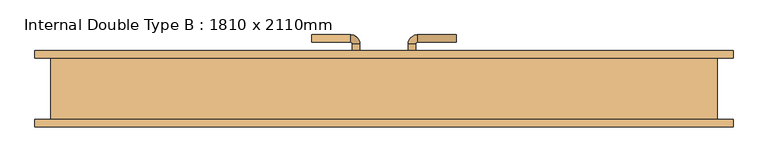
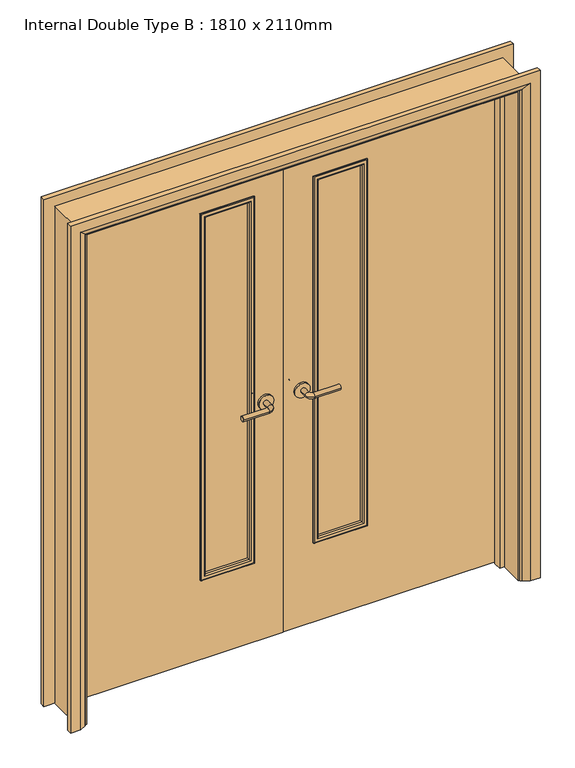
"""IFC4 building model written with IfcOpenShell, lengths in millimetres: door geometry, Internal Double Type B : 1810 x 2110mm."""

from ifc_helpers import new_model, si_unit, point, frame, frame_2d, origin, place, context, project, spatial, polyline, circle_curve, ellipse_curve, trimmed, segment, composite_curve, outline, extrude, faceted_brep, source, transform, mapped, element, save
from ifc_brep_helpers import plane_surface, cylinder_surface, revolved_surface, advanced_brep


def internal_double_type_b_1810_x_2110mm_ac1801f2(model_context):
    return source(origin(), model_context, "Body", "SolidModel", [
        advanced_brep(
        [(-65.0, 42.5, 1007.0), (-85.0, 42.5, 1007.0), (-65.0, 12.5, 1007.0), (-85.0, 12.5, 1007.0), (-90.0, 7.5, 1007.0), (-90.0, -12.5, 1007.0), (-195.0, -12.5, 1007.0), (-195.0, 7.5, 1007.0)],
        [
            (0, 1, circle_curve(frame((-75.0, 42.5, 1007.0), z_axis=(0.0, 1.0, 0.0), x_axis=(-1.0, 0.0, 0.0)), 10.0)),
            (1, 0, circle_curve(frame((-75.0, 42.5, 1007.0), z_axis=(0.0, 1.0, 0.0), x_axis=(-1.0, 0.0, 0.0)), 10.0)),
            (0, 2),
            (2, 3, circle_curve(frame((-75.0, 12.5, 1007.0), z_axis=(0.0, 1.0, 0.0), x_axis=(-1.0, 0.0, 0.0)), 10.0)),
            (3, 1),
            (3, 2, circle_curve(frame((-75.0, 12.5, 1007.0), z_axis=(0.0, 1.0, 0.0), x_axis=(-1.0, 0.0, 0.0)), 10.0)),
            (4, 3, circle_curve(frame((-90.0, 12.5, 1007.0), z_axis=(0.0, 0.0, 1.0), x_axis=(1.0, 0.0, 0.0)), 5.0)),
            (2, 5, circle_curve(frame((-90.0, 12.5, 1007.0), z_axis=(0.0, 0.0, -1.0), x_axis=(1.0, 0.0, 0.0)), 25.0)),
            (5, 4, circle_curve(frame((-90.0, -2.5, 1007.0), z_axis=(1.0, 0.0, 0.0), x_axis=(0.0, 1.0, 0.0)), 10.0)),
            (4, 5, circle_curve(frame((-90.0, -2.5, 1007.0), z_axis=(1.0, 0.0, 0.0), x_axis=(0.0, 1.0, 0.0)), 10.0)),
            (6, 7, circle_curve(frame((-195.0, -2.5, 1007.0), z_axis=(-1.0, 0.0, 0.0), x_axis=(0.0, 1.0, 0.0)), 10.0)),
            (7, 6, circle_curve(frame((-195.0, -2.5, 1007.0), z_axis=(-1.0, 0.0, 0.0), x_axis=(0.0, 1.0, 0.0)), 10.0)),
            (5, 6),
            (7, 4),
        ],
        [
            plane_surface(frame((-75.0, 42.5, 1007.0), z_axis=(0.0, 1.0, 0.0), x_axis=(0.0, 0.0, 1.0))),
            cylinder_surface(frame((-75.0, 42.5, 1007.0), z_axis=(0.0, 1.0, 0.0), x_axis=(-1.0, 0.0, 0.0)), 10.0),
            revolved_surface(trimmed(ellipse_curve(frame((-75.0, 12.5, 1007.0), z_axis=(0.0, 1.0, 0.0), x_axis=(-1.0, 0.0, 0.0)), 10.0, 10.0), [point((-65.0, 12.5, 1007.0))], [point((-85.0, 12.5, 1007.0))], True, "CARTESIAN"), (-90.0, 12.5, 1007.0), (0.0, 0.0, -1.0)),
            revolved_surface(trimmed(ellipse_curve(frame((-75.0, 12.5, 1007.0), z_axis=(0.0, 1.0, 0.0), x_axis=(-1.0, 0.0, 0.0)), 10.0, 10.0), [point((-85.0, 12.5, 1007.0))], [point((-65.0, 12.5, 1007.0))], True, "CARTESIAN"), (-90.0, 12.5, 1007.0), (0.0, 0.0, -1.0)),
            plane_surface(frame((-195.0, -2.5, 1007.0), z_axis=(-1.0, 0.0, 0.0), x_axis=(0.0, 0.0, 1.0))),
            cylinder_surface(frame((-90.0, -2.5, 1007.0), z_axis=(1.0, 0.0, 0.0), x_axis=(0.0, 1.0, 0.0)), 10.0),
        ],
        [
            (0, [[1, 2]]),
            (1, [[-1, 3, 4, 5]]),
            (1, [[-2, -5, 6, -3]]),
            (2, [[7, -4, 8, 9]]),
            (3, [[-8, -6, -7, 10]]),
            (4, [[11, 12]]),
            (5, [[-9, 13, -12, 14]]),
            (5, [[-10, -14, -11, -13]]),
        ],
    ),
        extrude(outline(composite_curve([segment(trimmed(circle_curve(frame_2d((1007.0, -72.5)), 30.0), [point((1007.0, -42.5))], [point((1007.0, -102.5))], False, "CARTESIAN"), True, "CONTINUOUS"), segment(trimmed(circle_curve(frame_2d((1007.0, -72.5)), 30.0), [point((1007.0, -102.5))], [point((1007.0, -42.5))], False, "CARTESIAN"), True, "CONTINUOUS")], self_intersect=False)), frame((0.0, 42.5, 0.0), z_axis=(0.0, 1.0, 0.0), x_axis=(0.0, 0.0, 1.0)), (0.0, 0.0, 1.0), 8.0),
        advanced_brep(
        [(-65.0, 90.5, 1007.0), (-85.0, 90.5, 1007.0), (-85.0, 120.5, 1007.0), (-65.0, 120.5, 1007.0), (-90.0, 125.5, 1007.0), (-90.0, 145.5, 1007.0), (-195.0, 145.5, 1007.0), (-195.0, 125.5, 1007.0)],
        [
            (0, 1, circle_curve(frame((-75.0, 90.5, 1007.0), z_axis=(0.0, -1.0, 0.0), x_axis=(-1.0, 0.0, 0.0)), 10.0)),
            (1, 0, circle_curve(frame((-75.0, 90.5, 1007.0), z_axis=(0.0, -1.0, 0.0), x_axis=(-1.0, 0.0, 0.0)), 10.0)),
            (1, 2),
            (2, 3, circle_curve(frame((-75.0, 120.5, 1007.0), z_axis=(0.0, -1.0, 0.0), x_axis=(-1.0, 0.0, 0.0)), 10.0)),
            (3, 0),
            (3, 2, circle_curve(frame((-75.0, 120.5, 1007.0), z_axis=(0.0, -1.0, 0.0), x_axis=(-1.0, 0.0, 0.0)), 10.0)),
            (4, 5, circle_curve(frame((-90.0, 135.5, 1007.0), z_axis=(1.0, 0.0, 0.0), x_axis=(0.0, -1.0, 0.0)), 10.0)),
            (5, 3, circle_curve(frame((-90.0, 120.5, 1007.0), z_axis=(0.0, 0.0, -1.0), x_axis=(1.0, 0.0, 0.0)), 25.0)),
            (2, 4, circle_curve(frame((-90.0, 120.5, 1007.0), z_axis=(0.0, 0.0, 1.0), x_axis=(1.0, 0.0, 0.0)), 5.0)),
            (5, 4, circle_curve(frame((-90.0, 135.5, 1007.0), z_axis=(1.0, 0.0, 0.0), x_axis=(0.0, -1.0, 0.0)), 10.0)),
            (6, 7, circle_curve(frame((-195.0, 135.5, 1007.0), z_axis=(-1.0, 0.0, 0.0), x_axis=(0.0, -1.0, 0.0)), 10.0)),
            (7, 6, circle_curve(frame((-195.0, 135.5, 1007.0), z_axis=(-1.0, 0.0, 0.0), x_axis=(0.0, -1.0, 0.0)), 10.0)),
            (4, 7),
            (6, 5),
        ],
        [
            plane_surface(frame((-75.0, 90.5, 1007.0), z_axis=(0.0, -1.0, 0.0), x_axis=(0.0, 0.0, 1.0))),
            cylinder_surface(frame((-75.0, 90.5, 1007.0), z_axis=(0.0, -1.0, 0.0), x_axis=(-1.0, 0.0, 0.0)), 10.0),
            revolved_surface(trimmed(ellipse_curve(frame((-75.0, 120.5, 1007.0), z_axis=(0.0, 1.0, 0.0), x_axis=(-1.0, 0.0, 0.0)), 10.0, 10.0), [point((-65.0, 120.5, 1007.0))], [point((-85.0, 120.5, 1007.0))], True, "CARTESIAN"), (-90.0, 120.5, 1007.0), (0.0, 0.0, -1.0)),
            revolved_surface(trimmed(ellipse_curve(frame((-75.0, 120.5, 1007.0), z_axis=(0.0, 1.0, 0.0), x_axis=(-1.0, 0.0, 0.0)), 10.0, 10.0), [point((-85.0, 120.5, 1007.0))], [point((-65.0, 120.5, 1007.0))], True, "CARTESIAN"), (-90.0, 120.5, 1007.0), (0.0, 0.0, -1.0)),
            plane_surface(frame((-195.0, 135.5, 1007.0), z_axis=(-1.0, 0.0, 0.0), x_axis=(0.0, 0.0, 1.0))),
            cylinder_surface(frame((-90.0, 135.5, 1007.0), z_axis=(1.0, 0.0, 0.0), x_axis=(0.0, -1.0, 0.0)), 10.0),
        ],
        [
            (0, [[1, 2]]),
            (1, [[3, 4, 5, -2]]),
            (1, [[-5, 6, -3, -1]]),
            (2, [[7, 8, -4, 9]]),
            (3, [[10, -9, -6, -8]]),
            (4, [[11, 12]]),
            (5, [[13, -11, 14, -7]]),
            (5, [[-14, -12, -13, -10]]),
        ],
    ),
        extrude(outline(composite_curve([segment(trimmed(circle_curve(frame_2d((1007.0, -72.5)), 30.0), [point((1007.0, -42.5))], [point((1007.0, -102.5))], False, "CARTESIAN"), True, "CONTINUOUS"), segment(trimmed(circle_curve(frame_2d((1007.0, -72.5)), 30.0), [point((1007.0, -102.5))], [point((1007.0, -42.5))], False, "CARTESIAN"), True, "CONTINUOUS")], self_intersect=False)), frame((0.0, 82.5, 0.0), z_axis=(0.0, 1.0, 0.0), x_axis=(0.0, 0.0, 1.0)), (0.0, 0.0, 1.0), 8.0),
        advanced_brep(
        [(65.0, 42.5, 1007.0), (85.0, 42.5, 1007.0), (85.0, 12.5, 1007.0), (65.0, 12.5, 1007.0), (90.0, 7.5, 1007.0), (90.0, -12.5, 1007.0), (195.0, -12.5, 1007.0), (195.0, 7.5, 1007.0)],
        [
            (0, 1, circle_curve(frame((75.0, 42.5, 1007.0), z_axis=(0.0, 1.0, 0.0), x_axis=(1.0, 0.0, 0.0)), 10.0)),
            (1, 0, circle_curve(frame((75.0, 42.5, 1007.0), z_axis=(0.0, 1.0, 0.0), x_axis=(1.0, 0.0, 0.0)), 10.0)),
            (1, 2),
            (2, 3, circle_curve(frame((75.0, 12.5, 1007.0), z_axis=(0.0, 1.0, 0.0), x_axis=(1.0, 0.0, 0.0)), 10.0)),
            (3, 0),
            (3, 2, circle_curve(frame((75.0, 12.5, 1007.0), z_axis=(0.0, 1.0, 0.0), x_axis=(1.0, 0.0, 0.0)), 10.0)),
            (4, 5, circle_curve(frame((90.0, -2.5, 1007.0), z_axis=(-1.0, 0.0, 0.0), x_axis=(0.0, 1.0, 0.0)), 10.0)),
            (5, 3, circle_curve(frame((90.0, 12.5, 1007.0), z_axis=(0.0, 0.0, -1.0), x_axis=(-1.0, 0.0, 0.0)), 25.0)),
            (2, 4, circle_curve(frame((90.0, 12.5, 1007.0), z_axis=(0.0, 0.0, 1.0), x_axis=(-1.0, 0.0, 0.0)), 5.0)),
            (5, 4, circle_curve(frame((90.0, -2.5, 1007.0), z_axis=(-1.0, 0.0, 0.0), x_axis=(0.0, 1.0, 0.0)), 10.0)),
            (6, 7, circle_curve(frame((195.0, -2.5, 1007.0), z_axis=(1.0, 0.0, 0.0), x_axis=(0.0, 1.0, 0.0)), 10.0)),
            (7, 6, circle_curve(frame((195.0, -2.5, 1007.0), z_axis=(1.0, 0.0, 0.0), x_axis=(0.0, 1.0, 0.0)), 10.0)),
            (4, 7),
            (6, 5),
        ],
        [
            plane_surface(frame((75.0, 42.5, 1007.0), z_axis=(0.0, 1.0, 0.0), x_axis=(0.0, 0.0, 1.0))),
            cylinder_surface(frame((75.0, 42.5, 1007.0), z_axis=(0.0, 1.0, 0.0), x_axis=(1.0, 0.0, 0.0)), 10.0),
            revolved_surface(trimmed(ellipse_curve(frame((75.0, 12.5, 1007.0), z_axis=(0.0, -1.0, 0.0), x_axis=(1.0, 0.0, 0.0)), 10.0, 10.0), [point((65.0, 12.5, 1007.0))], [point((85.0, 12.5, 1007.0))], True, "CARTESIAN"), (90.0, 12.5, 1007.0), (0.0, 0.0, -1.0)),
            revolved_surface(trimmed(ellipse_curve(frame((75.0, 12.5, 1007.0), z_axis=(0.0, -1.0, 0.0), x_axis=(1.0, 0.0, 0.0)), 10.0, 10.0), [point((85.0, 12.5, 1007.0))], [point((65.0, 12.5, 1007.0))], True, "CARTESIAN"), (90.0, 12.5, 1007.0), (0.0, 0.0, -1.0)),
            plane_surface(frame((195.0, -2.5, 1007.0), z_axis=(1.0, 0.0, 0.0), x_axis=(0.0, 0.0, 1.0))),
            cylinder_surface(frame((90.0, -2.5, 1007.0), z_axis=(-1.0, 0.0, 0.0), x_axis=(0.0, 1.0, 0.0)), 10.0),
        ],
        [
            (0, [[1, 2]]),
            (1, [[3, 4, 5, -2]]),
            (1, [[-5, 6, -3, -1]]),
            (2, [[7, 8, -4, 9]]),
            (3, [[10, -9, -6, -8]]),
            (4, [[11, 12]]),
            (5, [[13, -11, 14, -7]]),
            (5, [[-14, -12, -13, -10]]),
        ],
    ),
        extrude(outline(composite_curve([segment(trimmed(circle_curve(frame_2d((1007.0, 72.5)), 30.0), [point((1007.0, 42.5))], [point((1007.0, 102.5))], False, "CARTESIAN"), True, "CONTINUOUS"), segment(trimmed(circle_curve(frame_2d((1007.0, 72.5)), 30.0), [point((1007.0, 102.5))], [point((1007.0, 42.5))], False, "CARTESIAN"), True, "CONTINUOUS")], self_intersect=False)), frame((0.0, 42.5, 0.0), z_axis=(0.0, 1.0, 0.0), x_axis=(0.0, 0.0, 1.0)), (0.0, 0.0, 1.0), 8.0),
        advanced_brep(
        [(65.0, 90.5, 1007.0), (85.0, 90.5, 1007.0), (65.0, 120.5, 1007.0), (85.0, 120.5, 1007.0), (90.0, 125.5, 1007.0), (90.0, 145.5, 1007.0), (195.0, 145.5, 1007.0), (195.0, 125.5, 1007.0)],
        [
            (0, 1, circle_curve(frame((75.0, 90.5, 1007.0), z_axis=(0.0, -1.0, 0.0), x_axis=(1.0, 0.0, 0.0)), 10.0)),
            (1, 0, circle_curve(frame((75.0, 90.5, 1007.0), z_axis=(0.0, -1.0, 0.0), x_axis=(1.0, 0.0, 0.0)), 10.0)),
            (0, 2),
            (2, 3, circle_curve(frame((75.0, 120.5, 1007.0), z_axis=(0.0, -1.0, 0.0), x_axis=(1.0, 0.0, 0.0)), 10.0)),
            (3, 1),
            (3, 2, circle_curve(frame((75.0, 120.5, 1007.0), z_axis=(0.0, -1.0, 0.0), x_axis=(1.0, 0.0, 0.0)), 10.0)),
            (4, 3, circle_curve(frame((90.0, 120.5, 1007.0), z_axis=(0.0, 0.0, 1.0), x_axis=(-1.0, 0.0, 0.0)), 5.0)),
            (2, 5, circle_curve(frame((90.0, 120.5, 1007.0), z_axis=(0.0, 0.0, -1.0), x_axis=(-1.0, 0.0, 0.0)), 25.0)),
            (5, 4, circle_curve(frame((90.0, 135.5, 1007.0), z_axis=(-1.0, 0.0, 0.0), x_axis=(0.0, -1.0, 0.0)), 10.0)),
            (4, 5, circle_curve(frame((90.0, 135.5, 1007.0), z_axis=(-1.0, 0.0, 0.0), x_axis=(0.0, -1.0, 0.0)), 10.0)),
            (6, 7, circle_curve(frame((195.0, 135.5, 1007.0), z_axis=(1.0, 0.0, 0.0), x_axis=(0.0, -1.0, 0.0)), 10.0)),
            (7, 6, circle_curve(frame((195.0, 135.5, 1007.0), z_axis=(1.0, 0.0, 0.0), x_axis=(0.0, -1.0, 0.0)), 10.0)),
            (5, 6),
            (7, 4),
        ],
        [
            plane_surface(frame((75.0, 90.5, 1007.0), z_axis=(0.0, -1.0, 0.0), x_axis=(0.0, 0.0, 1.0))),
            cylinder_surface(frame((75.0, 90.5, 1007.0), z_axis=(0.0, -1.0, 0.0), x_axis=(1.0, 0.0, 0.0)), 10.0),
            revolved_surface(trimmed(ellipse_curve(frame((75.0, 120.5, 1007.0), z_axis=(0.0, -1.0, 0.0), x_axis=(1.0, 0.0, 0.0)), 10.0, 10.0), [point((65.0, 120.5, 1007.0))], [point((85.0, 120.5, 1007.0))], True, "CARTESIAN"), (90.0, 120.5, 1007.0), (0.0, 0.0, -1.0)),
            revolved_surface(trimmed(ellipse_curve(frame((75.0, 120.5, 1007.0), z_axis=(0.0, -1.0, 0.0), x_axis=(1.0, 0.0, 0.0)), 10.0, 10.0), [point((85.0, 120.5, 1007.0))], [point((65.0, 120.5, 1007.0))], True, "CARTESIAN"), (90.0, 120.5, 1007.0), (0.0, 0.0, -1.0)),
            plane_surface(frame((195.0, 135.5, 1007.0), z_axis=(1.0, 0.0, 0.0), x_axis=(0.0, 0.0, 1.0))),
            cylinder_surface(frame((90.0, 135.5, 1007.0), z_axis=(-1.0, 0.0, 0.0), x_axis=(0.0, -1.0, 0.0)), 10.0),
        ],
        [
            (0, [[1, 2]]),
            (1, [[-1, 3, 4, 5]]),
            (1, [[-2, -5, 6, -3]]),
            (2, [[7, -4, 8, 9]]),
            (3, [[-8, -6, -7, 10]]),
            (4, [[11, 12]]),
            (5, [[-9, 13, -12, 14]]),
            (5, [[-10, -14, -11, -13]]),
        ],
    ),
        extrude(outline(composite_curve([segment(trimmed(circle_curve(frame_2d((1007.0, 72.5)), 30.0), [point((1007.0, 42.5))], [point((1007.0, 102.5))], False, "CARTESIAN"), True, "CONTINUOUS"), segment(trimmed(circle_curve(frame_2d((1007.0, 72.5)), 30.0), [point((1007.0, 102.5))], [point((1007.0, 42.5))], False, "CARTESIAN"), True, "CONTINUOUS")], self_intersect=False)), frame((0.0, 82.5, 0.0), z_axis=(0.0, 1.0, 0.0), x_axis=(0.0, 0.0, 1.0)), (0.0, 0.0, 1.0), 8.0),
        advanced_brep(
        [(-940.0, -102.5, 0.0), (-940.0, -82.5, 0.0), (-870.0, -82.5, 0.0), (-874.0, -88.5, 0.0), (-900.0, -102.5, 0.0), (-940.0, -102.5, 2145.0), (-940.0, -82.5, 2145.0), (940.0, -82.5, 2145.0), (940.0, -82.5, 0.0), (870.0, -82.5, 0.0), (870.0, -82.5, 2075.0), (-870.0, -82.5, 2075.0), (-874.0, -88.5, 2079.0), (-900.0, -102.5, 2105.0), (900.0, -102.5, 2105.0), (900.0, -102.5, 0.0), (940.0, -102.5, 0.0), (940.0, -102.5, 2145.0), (874.0, -88.5, 2079.0), (874.0, -88.5, 0.0)],
        [
            (0, 1),
            (1, 2),
            (2, 3, circle_curve(frame((-878.0, -81.5, 0.0), z_axis=(0.0, 0.0, -1.0), x_axis=(-1.0, 0.0, 0.0)), 8.0622577)),
            (3, 4),
            (4, 0),
            (0, 5),
            (5, 6),
            (6, 1),
            (6, 7),
            (7, 8),
            (8, 9),
            (9, 10),
            (10, 11),
            (11, 2),
            (11, 12, ellipse_curve(frame((-878.0, -81.5, 2083.0), z_axis=(-0.7071067811865475, 0.0, -0.7071067811865475), x_axis=(0.7071067811865474, 0.0, -0.7071067811865476)), 11.4017543, 8.0622577)),
            (12, 3),
            (12, 13),
            (13, 4),
            (13, 14),
            (14, 15),
            (15, 16),
            (16, 17),
            (17, 5),
            (17, 7),
            (10, 18, ellipse_curve(frame((878.0, -81.5, 2083.0), z_axis=(-0.7071067811865475, 0.0, 0.7071067811865475), x_axis=(-0.7071067811865476, 0.0, -0.7071067811865474)), 11.4017543, 8.0622577)),
            (18, 12),
            (18, 14),
            (15, 19),
            (19, 9, circle_curve(frame((878.0, -81.5, 0.0), z_axis=(0.0, 0.0, -1.0), x_axis=(1.0, 0.0, 0.0)), 8.0622577)),
            (8, 16),
            (19, 18),
        ],
        [
            plane_surface(frame((-870.0, -82.5, 0.0), z_axis=(0.0, 0.0, -1.0), x_axis=(0.0, -1.0, 0.0))),
            plane_surface(frame((-940.0, -102.5, 0.0), z_axis=(-1.0, 0.0, 0.0), x_axis=(0.0, 0.0, 1.0))),
            plane_surface(frame((-940.0, -82.5, 0.0), z_axis=(0.0, 1.0, 0.0), x_axis=(0.0, 0.0, 1.0))),
            cylinder_surface(frame((-878.0, -81.5, 0.0), z_axis=(0.0, 0.0, -1.0), x_axis=(-1.0, 0.0, 0.0)), 8.0622577),
            plane_surface(frame((-874.0, -88.5, 0.0), z_axis=(0.4740998230350183, -0.8804710999221749, 0.0), x_axis=(0.0, 0.0, 1.0))),
            plane_surface(frame((-900.0, -102.5, 0.0), z_axis=(0.0, -1.0, 0.0), x_axis=(0.0, 0.0, 1.0))),
            plane_surface(frame((-940.0, -102.5, 2145.0), z_axis=(0.0, 0.0, 1.0), x_axis=(1.0, 0.0, 0.0))),
            cylinder_surface(frame((-870.0, -81.5, 2083.0), z_axis=(-1.0, 0.0, 0.0), x_axis=(0.0, 0.0, 1.0)), 8.0622577),
            plane_surface(frame((-874.0, -88.5, 2079.0), z_axis=(0.0, -0.8804710999221749, -0.4740998230350183), x_axis=(1.0, 0.0, 0.0))),
            plane_surface(frame((870.0, -82.5, 0.0), z_axis=(0.0, 0.0, -1.0), x_axis=(0.0, -1.0, 0.0))),
            plane_surface(frame((940.0, -102.5, 2145.0), z_axis=(1.0, 0.0, 0.0), x_axis=(0.0, 0.0, -1.0))),
            cylinder_surface(frame((878.0, -81.5, 2075.0), z_axis=(0.0, 0.0, 1.0), x_axis=(1.0, 0.0, 0.0)), 8.0622577),
            plane_surface(frame((874.0, -88.5, 2079.0), z_axis=(-0.4740998230350183, -0.8804710999221749, 0.0), x_axis=(0.0, 0.0, -1.0))),
        ],
        [
            (0, [[1, 2, 3, 4, 5]]),
            (1, [[-1, 6, 7, 8]]),
            (2, [[-2, -8, 9, 10, 11, 12, 13, 14]]),
            (3, [[-3, -14, 15, 16]]),
            (4, [[-4, -16, 17, 18]]),
            (5, [[-5, -18, 19, 20, 21, 22, 23, -6]]),
            (6, [[-7, -23, 24, -9]]),
            (7, [[-15, -13, 25, 26]]),
            (8, [[-17, -26, 27, -19]]),
            (9, [[-21, 28, 29, -11, 30]]),
            (10, [[-24, -22, -30, -10]]),
            (11, [[-25, -12, -29, 31]]),
            (12, [[-27, -31, -28, -20]]),
        ],
    ),
        advanced_brep(
        [(940.0, 102.5, 0.0), (940.0, 82.5, 0.0), (870.0, 82.5, 0.0), (874.0, 88.5, 0.0), (900.0, 102.5, 0.0), (940.0, 102.5, 2145.0), (940.0, 82.5, 2145.0), (-940.0, 82.5, 2145.0), (-940.0, 82.5, 0.0), (-870.0, 82.5, 0.0), (-870.0, 82.5, 2075.0), (870.0, 82.5, 2075.0), (874.0, 88.5, 2079.0), (900.0, 102.5, 2105.0), (-900.0, 102.5, 2105.0), (-900.0, 102.5, 0.0), (-940.0, 102.5, 0.0), (-940.0, 102.5, 2145.0), (-874.0, 88.5, 2079.0), (-874.0, 88.5, 0.0)],
        [
            (0, 1),
            (1, 2),
            (2, 3, circle_curve(frame((878.0, 81.5, 0.0), z_axis=(0.0, 0.0, -1.0), x_axis=(1.0, 0.0, 0.0)), 8.0622577)),
            (3, 4),
            (4, 0),
            (0, 5),
            (5, 6),
            (6, 1),
            (6, 7),
            (7, 8),
            (8, 9),
            (9, 10),
            (10, 11),
            (11, 2),
            (11, 12, ellipse_curve(frame((878.0, 81.5, 2083.0), z_axis=(0.7071067811865475, 0.0, -0.7071067811865475), x_axis=(-0.7071067811865474, 0.0, -0.7071067811865476)), 11.4017543, 8.0622577)),
            (12, 3),
            (12, 13),
            (13, 4),
            (13, 14),
            (14, 15),
            (15, 16),
            (16, 17),
            (17, 5),
            (17, 7),
            (10, 18, ellipse_curve(frame((-878.0, 81.5, 2083.0), z_axis=(0.7071067811865475, 0.0, 0.7071067811865475), x_axis=(0.7071067811865476, 0.0, -0.7071067811865474)), 11.4017543, 8.0622577)),
            (18, 12),
            (18, 14),
            (15, 19),
            (19, 9, circle_curve(frame((-878.0, 81.5, 0.0), z_axis=(0.0, 0.0, -1.0), x_axis=(-1.0, 0.0, 0.0)), 8.0622577)),
            (8, 16),
            (19, 18),
        ],
        [
            plane_surface(frame((870.0, 82.5, 0.0), z_axis=(0.0, 0.0, -1.0), x_axis=(0.0, -1.0, 0.0))),
            plane_surface(frame((940.0, 102.5, 0.0), z_axis=(1.0, 0.0, 0.0), x_axis=(0.0, 0.0, 1.0))),
            plane_surface(frame((940.0, 82.5, 0.0), z_axis=(0.0, -1.0, 0.0), x_axis=(0.0, 0.0, 1.0))),
            cylinder_surface(frame((878.0, 81.5, 0.0), z_axis=(0.0, 0.0, -1.0), x_axis=(1.0, 0.0, 0.0)), 8.0622577),
            plane_surface(frame((874.0, 88.5, 0.0), z_axis=(-0.4740998230350126, 0.8804710999221779, 0.0), x_axis=(0.0, 0.0, 1.0))),
            plane_surface(frame((900.0, 102.5, 0.0), z_axis=(0.0, 1.0, 0.0), x_axis=(0.0, 0.0, 1.0))),
            plane_surface(frame((940.0, 102.5, 2145.0), z_axis=(0.0, 0.0, 1.0), x_axis=(-1.0, 0.0, 0.0))),
            cylinder_surface(frame((870.0, 81.5, 2083.0), z_axis=(1.0, 0.0, 0.0), x_axis=(0.0, 0.0, 1.0)), 8.0622577),
            plane_surface(frame((874.0, 88.5, 2079.0), z_axis=(0.0, 0.8804710999221763, -0.4740998230350154), x_axis=(-1.0, 0.0, 0.0))),
            plane_surface(frame((-870.0, 82.5, 0.0), z_axis=(0.0, 0.0, -1.0), x_axis=(0.0, -1.0, 0.0))),
            plane_surface(frame((-940.0, 102.5, 2145.0), z_axis=(-1.0, 0.0, 0.0), x_axis=(0.0, 0.0, -1.0))),
            cylinder_surface(frame((-878.0, 81.5, 2075.0), z_axis=(0.0, 0.0, 1.0), x_axis=(-1.0, 0.0, 0.0)), 8.0622577),
            plane_surface(frame((-874.0, 88.5, 2079.0), z_axis=(0.4740998230350183, 0.8804710999221749, 0.0), x_axis=(0.0, 0.0, -1.0))),
        ],
        [
            (0, [[1, 2, 3, 4, 5]]),
            (1, [[-1, 6, 7, 8]]),
            (2, [[-2, -8, 9, 10, 11, 12, 13, 14]]),
            (3, [[-3, -14, 15, 16]]),
            (4, [[-4, -16, 17, 18]]),
            (5, [[-5, -18, 19, 20, 21, 22, 23, -6]]),
            (6, [[-7, -23, 24, -9]]),
            (7, [[-15, -13, 25, 26]]),
            (8, [[-17, -26, 27, -19]]),
            (9, [[-21, 28, 29, -11, 30]]),
            (10, [[-24, -22, -30, -10]]),
            (11, [[-25, -12, -29, 31]]),
            (12, [[-27, -31, -28, -20]]),
        ],
    ),
        faceted_brep([(-846.0, 47.5, 0.0), (-846.0, 15.5, 0.0), (-865.0, 15.5, 0.0), (-865.0, 47.5, 0.0), (-846.0, 47.5, 2051.0), (-846.0, 15.5, 2051.0), (-865.0, 15.5, 2070.0), (-865.0, 47.5, 2070.0), (846.0, 47.5, 2051.0), (846.0, 15.5, 2051.0), (865.0, 15.5, 2070.0), (865.0, 47.5, 2070.0), (846.0, 47.5, 0.0), (865.0, 47.5, 0.0), (865.0, 15.5, 0.0), (846.0, 15.5, 0.0)], [[[0, 1, 2, 3]], [[1, 0, 4, 5]], [[2, 1, 5, 6]], [[3, 2, 6, 7]], [[0, 3, 7, 4]], [[5, 4, 8, 9]], [[6, 5, 9, 10]], [[7, 6, 10, 11]], [[4, 7, 11, 8]], [[12, 13, 14, 15]], [[9, 8, 12, 15]], [[10, 9, 15, 14]], [[11, 10, 14, 13]], [[8, 11, 13, 12]]]),
        extrude(outline(polyline([(2102.0, -897.0), (0.0, -897.0), (0.0, -865.0), (2070.0, -865.0), (2070.0, 865.0), (0.0, 865.0), (0.0, 897.0), (2102.0, 897.0), (2102.0, -897.0)])), frame((0.0, -82.5, 0.0), z_axis=(0.0, 1.0, 0.0), x_axis=(0.0, 0.0, 1.0)), (0.0, 0.0, 1.0), 165.0),
        extrude(outline(polyline([(326.5, 60.5), (126.5, 60.5), (126.5, 72.5), (326.5, 72.5), (326.5, 60.5)])), frame((0.0, 0.0, 350.0), z_axis=(0.0, 0.0, 1.0), x_axis=(1.0, 0.0, 0.0)), (0.0, 0.0, 1.0), 1535.0),
        extrude(outline(polyline([(-126.5, 60.5), (-326.5, 60.5), (-326.5, 72.5), (-126.5, 72.5), (-126.5, 60.5)])), frame((0.0, 0.0, 350.0), z_axis=(0.0, 0.0, 1.0), x_axis=(1.0, 0.0, 0.0)), (0.0, 0.0, 1.0), 1535.0),
        extrude(outline(polyline([(5.753223, -862.0), (5.753223, -1.5), (2067.0, -1.5), (2067.0, -862.0), (5.753223, -862.0)]), holes=[polyline([(1885.0, -326.5), (1885.0, -126.5), (350.0, -126.5), (350.0, -326.5), (1885.0, -326.5)])]), frame((0.0, 50.5, 0.0), z_axis=(0.0, 1.0, 0.0), x_axis=(0.0, 0.0, 1.0)), (0.0, 0.0, 1.0), 32.0),
        extrude(outline(polyline([(5.753223, 862.0), (2067.0, 862.0), (2067.0, 1.5), (5.753223, 1.5), (5.753223, 862.0)]), holes=[polyline([(1885.0, 126.5), (1885.0, 326.5), (350.0, 326.5), (350.0, 126.5), (1885.0, 126.5)])]), frame((0.0, 50.5, 0.0), z_axis=(0.0, 1.0, 0.0), x_axis=(0.0, 0.0, 1.0)), (0.0, 0.0, 1.0), 32.0),
        advanced_brep(
        [(326.5, 60.5, 1885.0), (326.5, 50.5, 1885.0), (326.5, 50.5, 350.0), (326.5, 60.5, 350.0), (314.5, 49.5, 1873.0), (314.5, 60.5, 1873.0), (314.5, 60.5, 362.0), (314.5, 49.5, 362.0), (319.5, 44.5, 1878.0), (319.5, 44.5, 357.0), (334.5, 46.5, 1893.0), (332.5, 44.5, 1891.0), (332.5, 44.5, 344.0), (334.5, 46.5, 342.0), (334.5, 50.5, 1893.0), (334.5, 50.5, 342.0), (126.5, 50.5, 350.0), (126.5, 60.5, 350.0), (138.5, 60.5, 362.0), (138.5, 49.5, 362.0), (133.5, 44.5, 357.0), (120.5, 44.5, 344.0), (118.5, 46.5, 342.0), (118.5, 50.5, 342.0), (126.5, 50.5, 1885.0), (126.5, 60.5, 1885.0), (138.5, 60.5, 1873.0), (138.5, 49.5, 1873.0), (133.5, 44.5, 1878.0), (120.5, 44.5, 1891.0), (118.5, 46.5, 1893.0), (118.5, 50.5, 1893.0)],
        [
            (0, 1),
            (1, 2),
            (2, 3),
            (3, 0),
            (4, 5),
            (5, 6),
            (6, 7),
            (7, 4),
            (8, 4, ellipse_curve(frame((319.5, 49.5, 1878.0), z_axis=(0.7071067811865475, 0.0, -0.7071067811865475), x_axis=(0.7071067811865474, 0.0, 0.7071067811865476)), 7.0710678, 5.0)),
            (7, 9, ellipse_curve(frame((319.5, 49.5, 357.0), z_axis=(0.7071067811865475, 0.0, 0.7071067811865475), x_axis=(-0.7071067811865474, 0.0, 0.7071067811865476)), 7.0710678, 5.0)),
            (9, 8),
            (10, 11, ellipse_curve(frame((332.5, 46.5, 1891.0), z_axis=(0.7071067811865475, 0.0, -0.7071067811865475), x_axis=(0.7071067811865474, 0.0, 0.7071067811865476)), 2.8284271, 2.0)),
            (11, 12),
            (12, 13, ellipse_curve(frame((332.5, 46.5, 344.0), z_axis=(0.7071067811865475, 0.0, 0.7071067811865475), x_axis=(-0.7071067811865474, 0.0, 0.7071067811865476)), 2.8284271, 2.0)),
            (13, 10),
            (14, 10),
            (13, 15),
            (15, 14),
            (2, 16),
            (16, 17),
            (17, 3),
            (6, 18),
            (18, 19),
            (19, 7),
            (19, 20, ellipse_curve(frame((133.5, 49.5, 357.0), z_axis=(0.7071067811865475, 0.0, -0.7071067811865475), x_axis=(0.7071067811865476, 0.0, 0.7071067811865474)), 7.0710678, 5.0)),
            (20, 9),
            (12, 21),
            (21, 22, ellipse_curve(frame((120.5, 46.5, 344.0), z_axis=(0.7071067811865475, 0.0, -0.7071067811865475), x_axis=(0.7071067811865476, 0.0, 0.7071067811865474)), 2.8284271, 2.0)),
            (22, 13),
            (22, 23),
            (23, 15),
            (16, 24),
            (24, 25),
            (25, 17),
            (18, 26),
            (26, 27),
            (27, 19),
            (27, 28, ellipse_curve(frame((133.5, 49.5, 1878.0), z_axis=(-0.7071067811865475, 0.0, -0.7071067811865475), x_axis=(0.7071067811865474, 0.0, -0.7071067811865476)), 7.0710678, 5.0)),
            (28, 20),
            (21, 29),
            (29, 30, ellipse_curve(frame((120.5, 46.5, 1891.0), z_axis=(-0.7071067811865475, 0.0, -0.7071067811865475), x_axis=(0.7071067811865474, 0.0, -0.7071067811865476)), 2.8284271, 2.0)),
            (30, 22),
            (30, 31),
            (31, 23),
            (31, 14),
            (1, 24),
            (0, 25),
            (5, 26),
            (4, 27),
            (8, 28),
            (11, 29),
            (10, 30),
        ],
        [
            plane_surface(frame((326.5, 50.5, 1885.0), z_axis=(1.0, 0.0, 0.0), x_axis=(0.0, 0.0, -1.0))),
            plane_surface(frame((314.5, 60.5, 1873.0), z_axis=(-1.0, 0.0, 0.0), x_axis=(0.0, 0.0, -1.0))),
            cylinder_surface(frame((319.5, 49.5, 1885.0), z_axis=(0.0, 0.0, 1.0), x_axis=(1.0, 0.0, 0.0)), 5.0),
            cylinder_surface(frame((332.5, 46.5, 1885.0), z_axis=(0.0, 0.0, 1.0), x_axis=(1.0, 0.0, 0.0)), 2.0),
            plane_surface(frame((334.5, 46.5, 1893.0), z_axis=(1.0, 0.0, 0.0), x_axis=(0.0, 0.0, -1.0))),
            plane_surface(frame((326.5, 50.5, 350.0), z_axis=(0.0, 0.0, -1.0), x_axis=(-1.0, 0.0, 0.0))),
            plane_surface(frame((314.5, 60.5, 362.0), z_axis=(0.0, 0.0, 1.0), x_axis=(-1.0, 0.0, 0.0))),
            cylinder_surface(frame((326.5, 49.5, 357.0), z_axis=(1.0, 0.0, 0.0), x_axis=(0.0, 0.0, -1.0)), 5.0),
            cylinder_surface(frame((326.5, 46.5, 344.0), z_axis=(1.0, 0.0, 0.0), x_axis=(0.0, 0.0, -1.0)), 2.0),
            plane_surface(frame((334.5, 46.5, 342.0), z_axis=(0.0, 0.0, -1.0), x_axis=(-1.0, 0.0, 0.0))),
            plane_surface(frame((126.5, 50.5, 350.0), z_axis=(-1.0, 0.0, 0.0), x_axis=(0.0, 0.0, 1.0))),
            plane_surface(frame((138.5, 60.5, 362.0), z_axis=(1.0, 0.0, 0.0), x_axis=(0.0, 0.0, 1.0))),
            cylinder_surface(frame((133.5, 49.5, 350.0), z_axis=(0.0, 0.0, -1.0), x_axis=(-1.0, 0.0, 0.0)), 5.0),
            cylinder_surface(frame((120.5, 46.5, 350.0), z_axis=(0.0, 0.0, -1.0), x_axis=(-1.0, 0.0, 0.0)), 2.0),
            plane_surface(frame((118.5, 46.5, 342.0), z_axis=(-1.0, 0.0, 0.0), x_axis=(0.0, 0.0, 1.0))),
            plane_surface(frame((118.5, 50.5, 1893.0), z_axis=(0.0, 1.0, 0.0), x_axis=(1.0, 0.0, 0.0))),
            plane_surface(frame((126.5, 50.5, 1885.0), z_axis=(0.0, 0.0, 1.0), x_axis=(1.0, 0.0, 0.0))),
            plane_surface(frame((126.5, 60.5, 1885.0), z_axis=(0.0, 1.0, 0.0), x_axis=(1.0, 0.0, 0.0))),
            plane_surface(frame((138.5, 60.5, 1873.0), z_axis=(0.0, 0.0, -1.0), x_axis=(1.0, 0.0, 0.0))),
            cylinder_surface(frame((126.5, 49.5, 1878.0), z_axis=(-1.0, 0.0, 0.0), x_axis=(0.0, 0.0, 1.0)), 5.0),
            plane_surface(frame((133.5, 44.5, 1878.0), z_axis=(0.0, -1.0, 0.0), x_axis=(1.0, 0.0, 0.0))),
            cylinder_surface(frame((126.5, 46.5, 1891.0), z_axis=(-1.0, 0.0, 0.0), x_axis=(0.0, 0.0, 1.0)), 2.0),
            plane_surface(frame((118.5, 46.5, 1893.0), z_axis=(0.0, 0.0, 1.0), x_axis=(1.0, 0.0, 0.0))),
        ],
        [
            (0, [[1, 2, 3, 4]]),
            (1, [[5, 6, 7, 8]]),
            (2, [[9, -8, 10, 11]]),
            (3, [[12, 13, 14, 15]]),
            (4, [[16, -15, 17, 18]]),
            (5, [[-3, 19, 20, 21]]),
            (6, [[-7, 22, 23, 24]]),
            (7, [[-10, -24, 25, 26]]),
            (8, [[-14, 27, 28, 29]]),
            (9, [[-17, -29, 30, 31]]),
            (10, [[-20, 32, 33, 34]]),
            (11, [[-23, 35, 36, 37]]),
            (12, [[-25, -37, 38, 39]]),
            (13, [[-28, 40, 41, 42]]),
            (14, [[-30, -42, 43, 44]]),
            (15, [[-31, -44, 45, -18], [46, -32, -19, -2]]),
            (16, [[-33, -46, -1, 47]]),
            (17, [[-21, -34, -47, -4], [48, -35, -22, -6]]),
            (18, [[-36, -48, -5, 49]]),
            (19, [[-38, -49, -9, 50]]),
            (20, [[51, -40, -27, -13], [-26, -39, -50, -11]]),
            (21, [[-41, -51, -12, 52]]),
            (22, [[-43, -52, -16, -45]]),
        ],
    ),
        advanced_brep(
        [(-326.5, 60.5, 350.0), (-326.5, 50.5, 350.0), (-326.5, 50.5, 1885.0), (-326.5, 60.5, 1885.0), (-314.5, 49.5, 362.0), (-314.5, 60.5, 362.0), (-314.5, 60.5, 1873.0), (-314.5, 49.5, 1873.0), (-319.5, 44.5, 357.0), (-319.5, 44.5, 1878.0), (-334.5, 46.5, 342.0), (-332.5, 44.5, 344.0), (-332.5, 44.5, 1891.0), (-334.5, 46.5, 1893.0), (-334.5, 50.5, 342.0), (-334.5, 50.5, 1893.0), (-126.5, 50.5, 1885.0), (-126.5, 60.5, 1885.0), (-138.5, 60.5, 1873.0), (-138.5, 49.5, 1873.0), (-133.5, 44.5, 1878.0), (-120.5, 44.5, 1891.0), (-118.5, 46.5, 1893.0), (-118.5, 50.5, 1893.0), (-126.5, 50.5, 350.0), (-126.5, 60.5, 350.0), (-138.5, 60.5, 362.0), (-138.5, 49.5, 362.0), (-133.5, 44.5, 357.0), (-120.5, 44.5, 344.0), (-118.5, 46.5, 342.0), (-118.5, 50.5, 342.0)],
        [
            (0, 1),
            (1, 2),
            (2, 3),
            (3, 0),
            (4, 5),
            (5, 6),
            (6, 7),
            (7, 4),
            (8, 4, ellipse_curve(frame((-319.5, 49.5, 357.0), z_axis=(-0.7071067811865475, 0.0, 0.7071067811865475), x_axis=(-0.7071067811865474, 0.0, -0.7071067811865476)), 7.0710678, 5.0)),
            (7, 9, ellipse_curve(frame((-319.5, 49.5, 1878.0), z_axis=(-0.7071067811865475, 0.0, -0.7071067811865475), x_axis=(0.7071067811865474, 0.0, -0.7071067811865476)), 7.0710678, 5.0)),
            (9, 8),
            (10, 11, ellipse_curve(frame((-332.5, 46.5, 344.0), z_axis=(-0.7071067811865475, 0.0, 0.7071067811865475), x_axis=(-0.7071067811865474, 0.0, -0.7071067811865476)), 2.8284271, 2.0)),
            (11, 12),
            (12, 13, ellipse_curve(frame((-332.5, 46.5, 1891.0), z_axis=(-0.7071067811865475, 0.0, -0.7071067811865475), x_axis=(0.7071067811865474, 0.0, -0.7071067811865476)), 2.8284271, 2.0)),
            (13, 10),
            (14, 10),
            (13, 15),
            (15, 14),
            (2, 16),
            (16, 17),
            (17, 3),
            (6, 18),
            (18, 19),
            (19, 7),
            (19, 20, ellipse_curve(frame((-133.5, 49.5, 1878.0), z_axis=(-0.7071067811865475, 0.0, 0.7071067811865475), x_axis=(-0.7071067811865476, 0.0, -0.7071067811865474)), 7.0710678, 5.0)),
            (20, 9),
            (12, 21),
            (21, 22, ellipse_curve(frame((-120.5, 46.5, 1891.0), z_axis=(-0.7071067811865475, 0.0, 0.7071067811865475), x_axis=(-0.7071067811865476, 0.0, -0.7071067811865474)), 2.8284271, 2.0)),
            (22, 13),
            (22, 23),
            (23, 15),
            (16, 24),
            (24, 25),
            (25, 17),
            (18, 26),
            (26, 27),
            (27, 19),
            (27, 28, ellipse_curve(frame((-133.5, 49.5, 357.0), z_axis=(0.7071067811865475, 0.0, 0.7071067811865475), x_axis=(-0.7071067811865474, 0.0, 0.7071067811865476)), 7.0710678, 5.0)),
            (28, 20),
            (21, 29),
            (29, 30, ellipse_curve(frame((-120.5, 46.5, 344.0), z_axis=(0.7071067811865475, 0.0, 0.7071067811865475), x_axis=(-0.7071067811865474, 0.0, 0.7071067811865476)), 2.8284271, 2.0)),
            (30, 22),
            (30, 31),
            (31, 23),
            (31, 14),
            (1, 24),
            (0, 25),
            (5, 26),
            (4, 27),
            (8, 28),
            (11, 29),
            (10, 30),
        ],
        [
            plane_surface(frame((-326.5, 50.5, 350.0), z_axis=(-1.0, 0.0, 0.0), x_axis=(0.0, 0.0, 1.0))),
            plane_surface(frame((-314.5, 60.5, 362.0), z_axis=(1.0, 0.0, 0.0), x_axis=(0.0, 0.0, 1.0))),
            cylinder_surface(frame((-319.5, 49.5, 350.0), z_axis=(0.0, 0.0, -1.0), x_axis=(-1.0, 0.0, 0.0)), 5.0),
            cylinder_surface(frame((-332.5, 46.5, 350.0), z_axis=(0.0, 0.0, -1.0), x_axis=(-1.0, 0.0, 0.0)), 2.0),
            plane_surface(frame((-334.5, 46.5, 342.0), z_axis=(-1.0, 0.0, 0.0), x_axis=(0.0, 0.0, 1.0))),
            plane_surface(frame((-326.5, 50.5, 1885.0), z_axis=(0.0, 0.0, 1.0), x_axis=(1.0, 0.0, 0.0))),
            plane_surface(frame((-314.5, 60.5, 1873.0), z_axis=(0.0, 0.0, -1.0), x_axis=(1.0, 0.0, 0.0))),
            cylinder_surface(frame((-326.5, 49.5, 1878.0), z_axis=(-1.0, 0.0, 0.0), x_axis=(0.0, 0.0, 1.0)), 5.0),
            cylinder_surface(frame((-326.5, 46.5, 1891.0), z_axis=(-1.0, 0.0, 0.0), x_axis=(0.0, 0.0, 1.0)), 2.0),
            plane_surface(frame((-334.5, 46.5, 1893.0), z_axis=(0.0, 0.0, 1.0), x_axis=(1.0, 0.0, 0.0))),
            plane_surface(frame((-126.5, 50.5, 1885.0), z_axis=(1.0, 0.0, 0.0), x_axis=(0.0, 0.0, -1.0))),
            plane_surface(frame((-138.5, 60.5, 1873.0), z_axis=(-1.0, 0.0, 0.0), x_axis=(0.0, 0.0, -1.0))),
            cylinder_surface(frame((-133.5, 49.5, 1885.0), z_axis=(0.0, 0.0, 1.0), x_axis=(1.0, 0.0, 0.0)), 5.0),
            cylinder_surface(frame((-120.5, 46.5, 1885.0), z_axis=(0.0, 0.0, 1.0), x_axis=(1.0, 0.0, 0.0)), 2.0),
            plane_surface(frame((-118.5, 46.5, 1893.0), z_axis=(1.0, 0.0, 0.0), x_axis=(0.0, 0.0, -1.0))),
            plane_surface(frame((-118.5, 50.5, 342.0), z_axis=(0.0, 1.0, 0.0), x_axis=(-1.0, 0.0, 0.0))),
            plane_surface(frame((-126.5, 50.5, 350.0), z_axis=(0.0, 0.0, -1.0), x_axis=(-1.0, 0.0, 0.0))),
            plane_surface(frame((-126.5, 60.5, 350.0), z_axis=(0.0, 1.0, 0.0), x_axis=(-1.0, 0.0, 0.0))),
            plane_surface(frame((-138.5, 60.5, 362.0), z_axis=(0.0, 0.0, 1.0), x_axis=(-1.0, 0.0, 0.0))),
            cylinder_surface(frame((-126.5, 49.5, 357.0), z_axis=(1.0, 0.0, 0.0), x_axis=(0.0, 0.0, -1.0)), 5.0),
            plane_surface(frame((-133.5, 44.5, 357.0), z_axis=(0.0, -1.0, 0.0), x_axis=(-1.0, 0.0, 0.0))),
            cylinder_surface(frame((-126.5, 46.5, 344.0), z_axis=(1.0, 0.0, 0.0), x_axis=(0.0, 0.0, -1.0)), 2.0),
            plane_surface(frame((-118.5, 46.5, 342.0), z_axis=(0.0, 0.0, -1.0), x_axis=(-1.0, 0.0, 0.0))),
        ],
        [
            (0, [[1, 2, 3, 4]]),
            (1, [[5, 6, 7, 8]]),
            (2, [[9, -8, 10, 11]]),
            (3, [[12, 13, 14, 15]]),
            (4, [[16, -15, 17, 18]]),
            (5, [[-3, 19, 20, 21]]),
            (6, [[-7, 22, 23, 24]]),
            (7, [[-10, -24, 25, 26]]),
            (8, [[-14, 27, 28, 29]]),
            (9, [[-17, -29, 30, 31]]),
            (10, [[-20, 32, 33, 34]]),
            (11, [[-23, 35, 36, 37]]),
            (12, [[-25, -37, 38, 39]]),
            (13, [[-28, 40, 41, 42]]),
            (14, [[-30, -42, 43, 44]]),
            (15, [[-31, -44, 45, -18], [46, -32, -19, -2]]),
            (16, [[-33, -46, -1, 47]]),
            (17, [[-21, -34, -47, -4], [48, -35, -22, -6]]),
            (18, [[-36, -48, -5, 49]]),
            (19, [[-38, -49, -9, 50]]),
            (20, [[51, -40, -27, -13], [-26, -39, -50, -11]]),
            (21, [[-41, -51, -12, 52]]),
            (22, [[-43, -52, -16, -45]]),
        ],
    ),
        advanced_brep(
        [(326.5, 72.5, 350.0), (326.5, 82.5, 350.0), (326.5, 82.5, 1885.0), (326.5, 72.5, 1885.0), (314.5, 83.5, 362.0), (314.5, 72.5, 362.0), (314.5, 72.5, 1873.0), (314.5, 83.5, 1873.0), (319.5, 88.5, 357.0), (319.5, 88.5, 1878.0), (334.5, 86.5, 342.0), (332.5, 88.5, 344.0), (332.5, 88.5, 1891.0), (334.5, 86.5, 1893.0), (334.5, 82.5, 342.0), (334.5, 82.5, 1893.0), (126.5, 82.5, 1885.0), (126.5, 72.5, 1885.0), (138.5, 72.5, 1873.0), (138.5, 83.5, 1873.0), (133.5, 88.5, 1878.0), (120.5, 88.5, 1891.0), (118.5, 86.5, 1893.0), (118.5, 82.5, 1893.0), (126.5, 82.5, 350.0), (126.5, 72.5, 350.0), (138.5, 72.5, 362.0), (138.5, 83.5, 362.0), (133.5, 88.5, 357.0), (120.5, 88.5, 344.0), (118.5, 86.5, 342.0), (118.5, 82.5, 342.0)],
        [
            (0, 1),
            (1, 2),
            (2, 3),
            (3, 0),
            (4, 5),
            (5, 6),
            (6, 7),
            (7, 4),
            (8, 4, ellipse_curve(frame((319.5, 83.5, 357.0), z_axis=(0.7071067811865475, 0.0, 0.7071067811865475), x_axis=(0.7071067811865474, 0.0, -0.7071067811865476)), 7.0710678, 5.0)),
            (7, 9, ellipse_curve(frame((319.5, 83.5, 1878.0), z_axis=(0.7071067811865475, 0.0, -0.7071067811865475), x_axis=(-0.7071067811865474, 0.0, -0.7071067811865476)), 7.0710678, 5.0)),
            (9, 8),
            (10, 11, ellipse_curve(frame((332.5, 86.5, 344.0), z_axis=(0.7071067811865475, 0.0, 0.7071067811865475), x_axis=(0.7071067811865474, 0.0, -0.7071067811865476)), 2.8284271, 2.0)),
            (11, 12),
            (12, 13, ellipse_curve(frame((332.5, 86.5, 1891.0), z_axis=(0.7071067811865475, 0.0, -0.7071067811865475), x_axis=(-0.7071067811865474, 0.0, -0.7071067811865476)), 2.8284271, 2.0)),
            (13, 10),
            (14, 10),
            (13, 15),
            (15, 14),
            (2, 16),
            (16, 17),
            (17, 3),
            (6, 18),
            (18, 19),
            (19, 7),
            (19, 20, ellipse_curve(frame((133.5, 83.5, 1878.0), z_axis=(0.7071067811865475, 0.0, 0.7071067811865475), x_axis=(0.7071067811865476, 0.0, -0.7071067811865474)), 7.0710678, 5.0)),
            (20, 9),
            (12, 21),
            (21, 22, ellipse_curve(frame((120.5, 86.5, 1891.0), z_axis=(0.7071067811865475, 0.0, 0.7071067811865475), x_axis=(0.7071067811865476, 0.0, -0.7071067811865474)), 2.8284271, 2.0)),
            (22, 13),
            (22, 23),
            (23, 15),
            (16, 24),
            (24, 25),
            (25, 17),
            (18, 26),
            (26, 27),
            (27, 19),
            (27, 28, ellipse_curve(frame((133.5, 83.5, 357.0), z_axis=(-0.7071067811865475, 0.0, 0.7071067811865475), x_axis=(0.7071067811865474, 0.0, 0.7071067811865476)), 7.0710678, 5.0)),
            (28, 20),
            (21, 29),
            (29, 30, ellipse_curve(frame((120.5, 86.5, 344.0), z_axis=(-0.7071067811865475, 0.0, 0.7071067811865475), x_axis=(0.7071067811865474, 0.0, 0.7071067811865476)), 2.8284271, 2.0)),
            (30, 22),
            (30, 31),
            (31, 23),
            (31, 14),
            (1, 24),
            (0, 25),
            (5, 26),
            (4, 27),
            (8, 28),
            (11, 29),
            (10, 30),
        ],
        [
            plane_surface(frame((326.5, 82.5, 350.0), z_axis=(1.0, 0.0, 0.0), x_axis=(0.0, 0.0, 1.0))),
            plane_surface(frame((314.5, 72.5, 362.0), z_axis=(-1.0, 0.0, 0.0), x_axis=(0.0, 0.0, 1.0))),
            cylinder_surface(frame((319.5, 83.5, 350.0), z_axis=(0.0, 0.0, -1.0), x_axis=(1.0, 0.0, 0.0)), 5.0),
            cylinder_surface(frame((332.5, 86.5, 350.0), z_axis=(0.0, 0.0, -1.0), x_axis=(1.0, 0.0, 0.0)), 2.0),
            plane_surface(frame((334.5, 86.5, 342.0), z_axis=(1.0, 0.0, 0.0), x_axis=(0.0, 0.0, 1.0))),
            plane_surface(frame((326.5, 82.5, 1885.0), z_axis=(0.0, 0.0, 1.0), x_axis=(-1.0, 0.0, 0.0))),
            plane_surface(frame((314.5, 72.5, 1873.0), z_axis=(0.0, 0.0, -1.0), x_axis=(-1.0, 0.0, 0.0))),
            cylinder_surface(frame((326.5, 83.5, 1878.0), z_axis=(1.0, 0.0, 0.0), x_axis=(0.0, 0.0, 1.0)), 5.0),
            cylinder_surface(frame((326.5, 86.5, 1891.0), z_axis=(1.0, 0.0, 0.0), x_axis=(0.0, 0.0, 1.0)), 2.0),
            plane_surface(frame((334.5, 86.5, 1893.0), z_axis=(0.0, 0.0, 1.0), x_axis=(-1.0, 0.0, 0.0))),
            plane_surface(frame((126.5, 82.5, 1885.0), z_axis=(-1.0, 0.0, 0.0), x_axis=(0.0, 0.0, -1.0))),
            plane_surface(frame((138.5, 72.5, 1873.0), z_axis=(1.0, 0.0, 0.0), x_axis=(0.0, 0.0, -1.0))),
            cylinder_surface(frame((133.5, 83.5, 1885.0), z_axis=(0.0, 0.0, 1.0), x_axis=(-1.0, 0.0, 0.0)), 5.0),
            cylinder_surface(frame((120.5, 86.5, 1885.0), z_axis=(0.0, 0.0, 1.0), x_axis=(-1.0, 0.0, 0.0)), 2.0),
            plane_surface(frame((118.5, 86.5, 1893.0), z_axis=(-1.0, 0.0, 0.0), x_axis=(0.0, 0.0, -1.0))),
            plane_surface(frame((118.5, 82.5, 342.0), z_axis=(0.0, -1.0, 0.0), x_axis=(1.0, 0.0, 0.0))),
            plane_surface(frame((126.5, 82.5, 350.0), z_axis=(0.0, 0.0, -1.0), x_axis=(1.0, 0.0, 0.0))),
            plane_surface(frame((126.5, 72.5, 350.0), z_axis=(0.0, -1.0, 0.0), x_axis=(1.0, 0.0, 0.0))),
            plane_surface(frame((138.5, 72.5, 362.0), z_axis=(0.0, 0.0, 1.0), x_axis=(1.0, 0.0, 0.0))),
            cylinder_surface(frame((126.5, 83.5, 357.0), z_axis=(-1.0, 0.0, 0.0), x_axis=(0.0, 0.0, -1.0)), 5.0),
            plane_surface(frame((133.5, 88.5, 357.0), z_axis=(0.0, 1.0, 0.0), x_axis=(1.0, 0.0, 0.0))),
            cylinder_surface(frame((126.5, 86.5, 344.0), z_axis=(-1.0, 0.0, 0.0), x_axis=(0.0, 0.0, -1.0)), 2.0),
            plane_surface(frame((118.5, 86.5, 342.0), z_axis=(0.0, 0.0, -1.0), x_axis=(1.0, 0.0, 0.0))),
        ],
        [
            (0, [[1, 2, 3, 4]]),
            (1, [[5, 6, 7, 8]]),
            (2, [[9, -8, 10, 11]]),
            (3, [[12, 13, 14, 15]]),
            (4, [[16, -15, 17, 18]]),
            (5, [[-3, 19, 20, 21]]),
            (6, [[-7, 22, 23, 24]]),
            (7, [[-10, -24, 25, 26]]),
            (8, [[-14, 27, 28, 29]]),
            (9, [[-17, -29, 30, 31]]),
            (10, [[-20, 32, 33, 34]]),
            (11, [[-23, 35, 36, 37]]),
            (12, [[-25, -37, 38, 39]]),
            (13, [[-28, 40, 41, 42]]),
            (14, [[-30, -42, 43, 44]]),
            (15, [[-31, -44, 45, -18], [46, -32, -19, -2]]),
            (16, [[-33, -46, -1, 47]]),
            (17, [[-21, -34, -47, -4], [48, -35, -22, -6]]),
            (18, [[-36, -48, -5, 49]]),
            (19, [[-38, -49, -9, 50]]),
            (20, [[51, -40, -27, -13], [-26, -39, -50, -11]]),
            (21, [[-41, -51, -12, 52]]),
            (22, [[-43, -52, -16, -45]]),
        ],
    ),
        advanced_brep(
        [(-326.5, 72.5, 1885.0), (-326.5, 82.5, 1885.0), (-326.5, 82.5, 350.0), (-326.5, 72.5, 350.0), (-314.5, 83.5, 1873.0), (-314.5, 72.5, 1873.0), (-314.5, 72.5, 362.0), (-314.5, 83.5, 362.0), (-319.5, 88.5, 1878.0), (-319.5, 88.5, 357.0), (-334.5, 86.5, 1893.0), (-332.5, 88.5, 1891.0), (-332.5, 88.5, 344.0), (-334.5, 86.5, 342.0), (-334.5, 82.5, 1893.0), (-334.5, 82.5, 342.0), (-126.5, 82.5, 350.0), (-126.5, 72.5, 350.0), (-138.5, 72.5, 362.0), (-138.5, 83.5, 362.0), (-133.5, 88.5, 357.0), (-120.5, 88.5, 344.0), (-118.5, 86.5, 342.0), (-118.5, 82.5, 342.0), (-126.5, 82.5, 1885.0), (-126.5, 72.5, 1885.0), (-138.5, 72.5, 1873.0), (-138.5, 83.5, 1873.0), (-133.5, 88.5, 1878.0), (-120.5, 88.5, 1891.0), (-118.5, 86.5, 1893.0), (-118.5, 82.5, 1893.0)],
        [
            (0, 1),
            (1, 2),
            (2, 3),
            (3, 0),
            (4, 5),
            (5, 6),
            (6, 7),
            (7, 4),
            (8, 4, ellipse_curve(frame((-319.5, 83.5, 1878.0), z_axis=(-0.7071067811865475, 0.0, -0.7071067811865475), x_axis=(-0.7071067811865474, 0.0, 0.7071067811865476)), 7.0710678, 5.0)),
            (7, 9, ellipse_curve(frame((-319.5, 83.5, 357.0), z_axis=(-0.7071067811865475, 0.0, 0.7071067811865475), x_axis=(0.7071067811865474, 0.0, 0.7071067811865476)), 7.0710678, 5.0)),
            (9, 8),
            (10, 11, ellipse_curve(frame((-332.5, 86.5, 1891.0), z_axis=(-0.7071067811865475, 0.0, -0.7071067811865475), x_axis=(-0.7071067811865474, 0.0, 0.7071067811865476)), 2.8284271, 2.0)),
            (11, 12),
            (12, 13, ellipse_curve(frame((-332.5, 86.5, 344.0), z_axis=(-0.7071067811865475, 0.0, 0.7071067811865475), x_axis=(0.7071067811865474, 0.0, 0.7071067811865476)), 2.8284271, 2.0)),
            (13, 10),
            (14, 10),
            (13, 15),
            (15, 14),
            (2, 16),
            (16, 17),
            (17, 3),
            (6, 18),
            (18, 19),
            (19, 7),
            (19, 20, ellipse_curve(frame((-133.5, 83.5, 357.0), z_axis=(-0.7071067811865475, 0.0, -0.7071067811865475), x_axis=(-0.7071067811865476, 0.0, 0.7071067811865474)), 7.0710678, 5.0)),
            (20, 9),
            (12, 21),
            (21, 22, ellipse_curve(frame((-120.5, 86.5, 344.0), z_axis=(-0.7071067811865475, 0.0, -0.7071067811865475), x_axis=(-0.7071067811865476, 0.0, 0.7071067811865474)), 2.8284271, 2.0)),
            (22, 13),
            (22, 23),
            (23, 15),
            (16, 24),
            (24, 25),
            (25, 17),
            (18, 26),
            (26, 27),
            (27, 19),
            (27, 28, ellipse_curve(frame((-133.5, 83.5, 1878.0), z_axis=(0.7071067811865475, 0.0, -0.7071067811865475), x_axis=(-0.7071067811865474, 0.0, -0.7071067811865476)), 7.0710678, 5.0)),
            (28, 20),
            (21, 29),
            (29, 30, ellipse_curve(frame((-120.5, 86.5, 1891.0), z_axis=(0.7071067811865475, 0.0, -0.7071067811865475), x_axis=(-0.7071067811865474, 0.0, -0.7071067811865476)), 2.8284271, 2.0)),
            (30, 22),
            (30, 31),
            (31, 23),
            (31, 14),
            (1, 24),
            (0, 25),
            (5, 26),
            (4, 27),
            (8, 28),
            (11, 29),
            (10, 30),
        ],
        [
            plane_surface(frame((-326.5, 82.5, 1885.0), z_axis=(-1.0, 0.0, 0.0), x_axis=(0.0, 0.0, -1.0))),
            plane_surface(frame((-314.5, 72.5, 1873.0), z_axis=(1.0, 0.0, 0.0), x_axis=(0.0, 0.0, -1.0))),
            cylinder_surface(frame((-319.5, 83.5, 1885.0), z_axis=(0.0, 0.0, 1.0), x_axis=(-1.0, 0.0, 0.0)), 5.0),
            cylinder_surface(frame((-332.5, 86.5, 1885.0), z_axis=(0.0, 0.0, 1.0), x_axis=(-1.0, 0.0, 0.0)), 2.0),
            plane_surface(frame((-334.5, 86.5, 1893.0), z_axis=(-1.0, 0.0, 0.0), x_axis=(0.0, 0.0, -1.0))),
            plane_surface(frame((-326.5, 82.5, 350.0), z_axis=(0.0, 0.0, -1.0), x_axis=(1.0, 0.0, 0.0))),
            plane_surface(frame((-314.5, 72.5, 362.0), z_axis=(0.0, 0.0, 1.0), x_axis=(1.0, 0.0, 0.0))),
            cylinder_surface(frame((-326.5, 83.5, 357.0), z_axis=(-1.0, 0.0, 0.0), x_axis=(0.0, 0.0, -1.0)), 5.0),
            cylinder_surface(frame((-326.5, 86.5, 344.0), z_axis=(-1.0, 0.0, 0.0), x_axis=(0.0, 0.0, -1.0)), 2.0),
            plane_surface(frame((-334.5, 86.5, 342.0), z_axis=(0.0, 0.0, -1.0), x_axis=(1.0, 0.0, 0.0))),
            plane_surface(frame((-126.5, 82.5, 350.0), z_axis=(1.0, 0.0, 0.0), x_axis=(0.0, 0.0, 1.0))),
            plane_surface(frame((-138.5, 72.5, 362.0), z_axis=(-1.0, 0.0, 0.0), x_axis=(0.0, 0.0, 1.0))),
            cylinder_surface(frame((-133.5, 83.5, 350.0), z_axis=(0.0, 0.0, -1.0), x_axis=(1.0, 0.0, 0.0)), 5.0),
            cylinder_surface(frame((-120.5, 86.5, 350.0), z_axis=(0.0, 0.0, -1.0), x_axis=(1.0, 0.0, 0.0)), 2.0),
            plane_surface(frame((-118.5, 86.5, 342.0), z_axis=(1.0, 0.0, 0.0), x_axis=(0.0, 0.0, 1.0))),
            plane_surface(frame((-118.5, 82.5, 1893.0), z_axis=(0.0, -1.0, 0.0), x_axis=(-1.0, 0.0, 0.0))),
            plane_surface(frame((-126.5, 82.5, 1885.0), z_axis=(0.0, 0.0, 1.0), x_axis=(-1.0, 0.0, 0.0))),
            plane_surface(frame((-126.5, 72.5, 1885.0), z_axis=(0.0, -1.0, 0.0), x_axis=(-1.0, 0.0, 0.0))),
            plane_surface(frame((-138.5, 72.5, 1873.0), z_axis=(0.0, 0.0, -1.0), x_axis=(-1.0, 0.0, 0.0))),
            cylinder_surface(frame((-126.5, 83.5, 1878.0), z_axis=(1.0, 0.0, 0.0), x_axis=(0.0, 0.0, 1.0)), 5.0),
            plane_surface(frame((-133.5, 88.5, 1878.0), z_axis=(0.0, 1.0, 0.0), x_axis=(-1.0, 0.0, 0.0))),
            cylinder_surface(frame((-126.5, 86.5, 1891.0), z_axis=(1.0, 0.0, 0.0), x_axis=(0.0, 0.0, 1.0)), 2.0),
            plane_surface(frame((-118.5, 86.5, 1893.0), z_axis=(0.0, 0.0, 1.0), x_axis=(-1.0, 0.0, 0.0))),
        ],
        [
            (0, [[1, 2, 3, 4]]),
            (1, [[5, 6, 7, 8]]),
            (2, [[9, -8, 10, 11]]),
            (3, [[12, 13, 14, 15]]),
            (4, [[16, -15, 17, 18]]),
            (5, [[-3, 19, 20, 21]]),
            (6, [[-7, 22, 23, 24]]),
            (7, [[-10, -24, 25, 26]]),
            (8, [[-14, 27, 28, 29]]),
            (9, [[-17, -29, 30, 31]]),
            (10, [[-20, 32, 33, 34]]),
            (11, [[-23, 35, 36, 37]]),
            (12, [[-25, -37, 38, 39]]),
            (13, [[-28, 40, 41, 42]]),
            (14, [[-30, -42, 43, 44]]),
            (15, [[-31, -44, 45, -18], [46, -32, -19, -2]]),
            (16, [[-33, -46, -1, 47]]),
            (17, [[-21, -34, -47, -4], [48, -35, -22, -6]]),
            (18, [[-36, -48, -5, 49]]),
            (19, [[-38, -49, -9, 50]]),
            (20, [[51, -40, -27, -13], [-26, -39, -50, -11]]),
            (21, [[-41, -51, -12, 52]]),
            (22, [[-43, -52, -16, -45]]),
        ],
    ),
    ])


if __name__ == "__main__":
    model = new_model("IFC4")
    model_context = context("Model", 3, world=origin())
    ifc_project = project(units=[si_unit("LENGTHUNIT", "METRE", prefix="MILLI")], contexts=[model_context])
    site = spatial("IfcSite", under=ifc_project)
    building = spatial("IfcBuilding", under=site)
    placement = place(None, origin())
    internal_double_type_b_1810_x_2110mm_shape = internal_double_type_b_1810_x_2110mm_ac1801f2(model_context)
    element("IfcDoor", 1, ObjectType="Internal Double Type B : 1810 x 2110mm", at=placement, inside=building, context=model_context, shape_type="MappedRepresentation", body=[
        mapped(internal_double_type_b_1810_x_2110mm_shape, transform((0.0, 0.0, 0.0), x_axis=(1.0, 0.0, 0.0), y_axis=(0.0, 1.0, 0.0), z_axis=(0.0, 0.0, 1.0))),
    ])
    save(model, "model.ifc")
